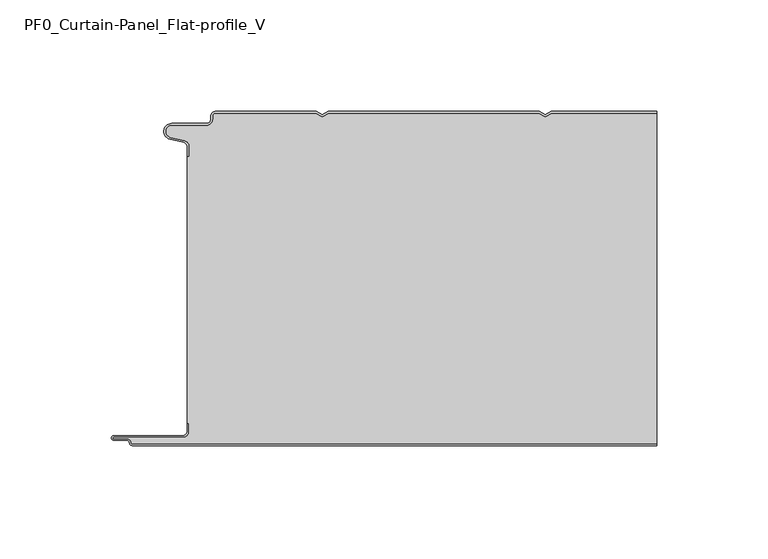
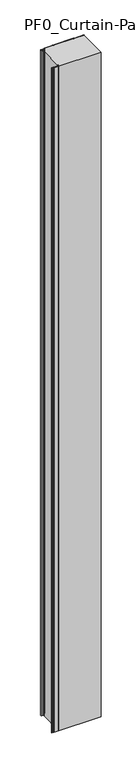
"""IFC4 building model written with IfcOpenShell, lengths in millimetres: plate geometry, PF0_Curtain-Panel_Flat-profile_V."""

from ifc_helpers import new_model, si_unit, point, frame_2d, origin, origin_with_axes, place, context, project, spatial, polyline, circle_curve, trimmed, segment, composite_curve, outline, extrude, source, transform, mapped, element, save


def pf0_curtain_panel_flat_profile_v_ccb093f7(model_context):
    return source(origin(), model_context, "Body", "SweptSolid", [
        extrude(outline(composite_curve([segment(trimmed(circle_curve(frame_2d((-102.0, -15.878557)), 2.0), [point((-100.0, -15.878557))], [point((-101.5500978, -13.9298169))], True, "CARTESIAN"), True, "CONTINUOUS"), segment(polyline([(-101.5500978, -13.9298169), (-107.7098239, -12.507732)]), True, "CONTINUOUS"), segment(trimmed(circle_curve(frame_2d((-106.9, -9.0)), 3.6), [point((-107.7098239, -12.507732))], [point((-106.9, -5.4))], False, "CARTESIAN"), True, "CONTINUOUS"), segment(polyline([(-106.9, -5.4), (-91.4, -5.4)]), True, "CONTINUOUS"), segment(trimmed(circle_curve(frame_2d((-91.4, -3.4)), 2.0), [point((-91.4, -5.4))], [point((-89.4, -3.4))], True, "CARTESIAN"), True, "CONTINUOUS"), segment(polyline([(-89.4, -3.4), (-89.4, -2.0)]), True, "CONTINUOUS"), segment(trimmed(circle_curve(frame_2d((-87.4, -2.0)), 2.0), [point((-89.4, -2.0))], [point((-87.4, 0.0))], False, "CARTESIAN"), True, "CONTINUOUS"), segment(polyline([(-87.4, 0.0), (-42.0999995, 0.0), (-39.4, -1.5588455), (-36.7000005, 0.0), (57.9000005, 0.0), (60.6, -1.5588455), (63.2999995, 0.0), (110.6, 0.0), (110.6, -0.8), (63.5143588, -0.8), (60.6, -2.482606), (57.6856412, -0.8), (-36.4856412, -0.8), (-39.4, -2.482606), (-42.3143588, -0.8), (-87.4, -0.8)]), True, "CONTINUOUS"), segment(trimmed(circle_curve(frame_2d((-87.4, -2.0)), 1.2), [point((-87.4, -0.8))], [point((-88.6, -2.0))], True, "CARTESIAN"), True, "CONTINUOUS"), segment(polyline([(-88.6, -2.0), (-88.6, -3.4)]), True, "CONTINUOUS"), segment(trimmed(circle_curve(frame_2d((-91.4, -3.4)), 2.8), [point((-88.6, -3.4))], [point((-91.4, -6.2))], False, "CARTESIAN"), True, "CONTINUOUS"), segment(polyline([(-91.4, -6.2), (-106.9, -6.2)]), True, "CONTINUOUS"), segment(trimmed(circle_curve(frame_2d((-106.9, -9.0)), 2.8), [point((-106.9, -6.2))], [point((-107.529863, -11.7282362))], True, "CARTESIAN"), True, "CONTINUOUS"), segment(polyline([(-107.529863, -11.7282362), (-101.370137, -13.150321)]), True, "CONTINUOUS"), segment(trimmed(circle_curve(frame_2d((-102.0, -15.878557)), 2.8), [point((-101.370137, -13.150321))], [point((-99.2, -15.878557))], False, "CARTESIAN"), True, "CONTINUOUS"), segment(polyline([(-99.2, -15.878557), (-99.2, -20.0), (-100.0, -20.0), (-100.0, -15.878557)]), True, "CONTINUOUS")], self_intersect=False)), origin_with_axes(), (0.0, 0.0, 1.0), 3500.0),
        extrude(outline(composite_curve([segment(polyline([(-99.2, -140.0), (-100.0, -140.0), (-100.0, -20.0), (-99.2, -20.0), (-99.2, -15.878557)]), True, "CONTINUOUS"), segment(trimmed(circle_curve(frame_2d((-102.0, -15.878557)), 2.8), [point((-99.2, -15.878557))], [point((-101.370137, -13.1503208))], True, "CARTESIAN"), True, "CONTINUOUS"), segment(polyline([(-101.370137, -13.1503208), (-107.529863, -11.7282362)]), True, "CONTINUOUS"), segment(trimmed(circle_curve(frame_2d((-106.9, -9.0)), 2.8), [point((-107.529863, -11.7282362))], [point((-106.9, -6.2))], False, "CARTESIAN"), True, "CONTINUOUS"), segment(polyline([(-106.9, -6.2), (-91.4, -6.2)]), True, "CONTINUOUS"), segment(trimmed(circle_curve(frame_2d((-91.4, -3.4)), 2.8), [point((-91.4, -6.2))], [point((-88.6, -3.4))], True, "CARTESIAN"), True, "CONTINUOUS"), segment(polyline([(-88.6, -3.4), (-88.6, -2.0)]), True, "CONTINUOUS"), segment(trimmed(circle_curve(frame_2d((-87.4, -2.0)), 1.2), [point((-88.6, -2.0))], [point((-87.4, -0.8))], False, "CARTESIAN"), True, "CONTINUOUS"), segment(polyline([(-87.4, -0.8), (-42.3143588, -0.8), (-39.4, -2.482606), (-36.4856412, -0.8), (57.6856412, -0.8), (60.6, -2.482606), (63.5143588, -0.8), (110.6, -0.8), (110.6, -149.2), (-124.4, -149.2)]), True, "CONTINUOUS"), segment(trimmed(circle_curve(frame_2d((-124.4, -148.4)), 0.8), [point((-124.4, -149.2))], [point((-125.2, -148.4))], False, "CARTESIAN"), True, "CONTINUOUS"), segment(trimmed(circle_curve(frame_2d((-126.9, -148.6133333)), 1.7133333), [point((-125.2, -148.4))], [point((-126.9, -146.9))], True, "CARTESIAN"), True, "CONTINUOUS"), segment(polyline([(-126.9, -146.9), (-132.8700312, -146.9)]), True, "CONTINUOUS"), segment(trimmed(circle_curve(frame_2d((-132.8700312, -146.6)), 0.3), [point((-132.8700312, -146.9))], [point((-132.8700312, -146.3))], False, "CARTESIAN"), True, "CONTINUOUS"), segment(polyline([(-132.8700312, -146.3), (-102.0, -146.3)]), True, "CONTINUOUS"), segment(trimmed(circle_curve(frame_2d((-102.0, -143.5)), 2.8), [point((-102.0, -146.3))], [point((-99.2, -143.5))], True, "CARTESIAN"), True, "CONTINUOUS"), segment(polyline([(-99.2, -143.5), (-99.2, -140.0)]), True, "CONTINUOUS")], self_intersect=False)), origin_with_axes(), (0.0, 0.0, 1.0), 3500.0),
        extrude(outline(composite_curve([segment(polyline([(-100.0, -140.0), (-99.2, -140.0), (-99.2, -143.5)]), True, "CONTINUOUS"), segment(trimmed(circle_curve(frame_2d((-102.0, -143.5)), 2.8), [point((-99.2, -143.5))], [point((-102.0, -146.3))], False, "CARTESIAN"), True, "CONTINUOUS"), segment(polyline([(-102.0, -146.3), (-132.8700312, -146.3)]), True, "CONTINUOUS"), segment(trimmed(circle_curve(frame_2d((-132.8700312, -146.6)), 0.3), [point((-132.8700312, -146.3))], [point((-132.8700312, -146.9))], True, "CARTESIAN"), True, "CONTINUOUS"), segment(polyline([(-132.8700312, -146.9), (-126.9, -146.9)]), True, "CONTINUOUS"), segment(trimmed(circle_curve(frame_2d((-126.9, -148.6133333)), 1.7133333), [point((-126.9, -146.9))], [point((-125.2, -148.4))], False, "CARTESIAN"), True, "CONTINUOUS"), segment(trimmed(circle_curve(frame_2d((-124.4, -148.4)), 0.8), [point((-125.2, -148.4))], [point((-124.4, -149.2))], True, "CARTESIAN"), True, "CONTINUOUS"), segment(polyline([(-124.4, -149.2), (110.6, -149.2), (110.6, -150.0), (-124.4, -150.0)]), True, "CONTINUOUS"), segment(trimmed(circle_curve(frame_2d((-124.4, -148.4)), 1.6), [point((-124.4, -150.0))], [point((-126.0, -148.4))], False, "CARTESIAN"), True, "CONTINUOUS"), segment(trimmed(circle_curve(frame_2d((-126.9, -148.4)), 0.9), [point((-126.0, -148.4))], [point((-126.9, -147.5))], True, "CARTESIAN"), True, "CONTINUOUS"), segment(polyline([(-126.9, -147.5), (-133.0, -147.5)]), True, "CONTINUOUS"), segment(trimmed(circle_curve(frame_2d((-133.0, -146.5)), 1.0), [point((-133.0, -147.5))], [point((-133.0, -145.5))], False, "CARTESIAN"), True, "CONTINUOUS"), segment(polyline([(-133.0, -145.5), (-102.0, -145.5)]), True, "CONTINUOUS"), segment(trimmed(circle_curve(frame_2d((-102.0, -143.5)), 2.0), [point((-102.0, -145.5))], [point((-100.0, -143.5))], True, "CARTESIAN"), True, "CONTINUOUS"), segment(polyline([(-100.0, -143.5), (-100.0, -140.0)]), True, "CONTINUOUS")], self_intersect=False)), origin_with_axes(), (0.0, 0.0, 1.0), 3500.0),
    ])


if __name__ == "__main__":
    model = new_model("IFC4")
    model_context = context("Model", 3, world=origin())
    ifc_project = project(units=[si_unit("LENGTHUNIT", "METRE", prefix="MILLI")], contexts=[model_context])
    site = spatial("IfcSite", under=ifc_project)
    building = spatial("IfcBuilding", under=site)
    placement = place(None, origin())
    pf0_curtain_panel_flat_profile_v_shape = pf0_curtain_panel_flat_profile_v_ccb093f7(model_context)
    element("IfcPlate", 1, ObjectType="PF0_Curtain-Panel_Flat-profile_V", at=placement, inside=building, context=model_context, shape_type="MappedRepresentation", body=[
        mapped(pf0_curtain_panel_flat_profile_v_shape, transform((0.0, 0.0, 0.0), x_axis=(1.0, 0.0, 0.0), y_axis=(0.0, 1.0, 0.0), z_axis=(0.0, 0.0, 1.0))),
    ])
    save(model, "model.ifc")
